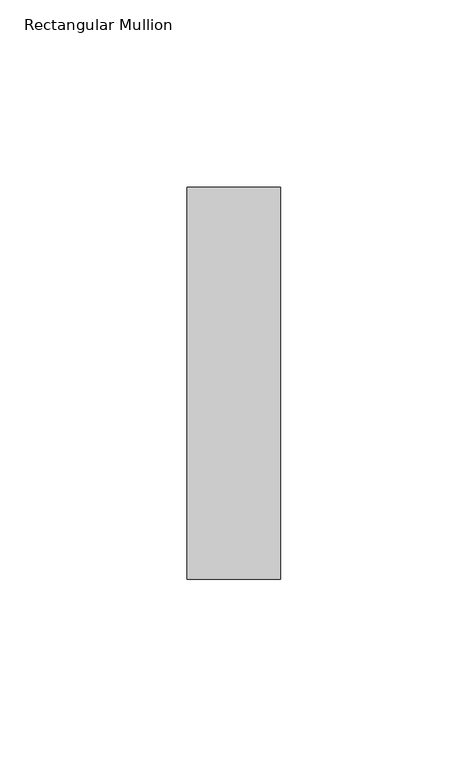
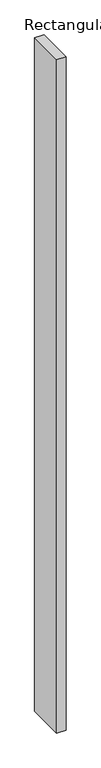
"""IFC4 building model written with IfcOpenShell, lengths in millimetres: member geometry, Rectangular Mullion."""

from ifc_helpers import new_model, si_unit, frame, origin, place, context, project, spatial, polyline, outline, extrude, source, transform, mapped, element, save


def rectangular_mullion_73668e4c(model_context):
    return source(origin(), model_context, "Body", "SweptSolid", [
        extrude(outline(polyline([(0.0, -52.34375), (-25.0, -52.34375), (-25.0, 52.34375), (0.0, 52.34375), (0.0, -52.34375)])), frame((0.0, 0.0, -1950.0), z_axis=(0.0, 0.0, 1.0), x_axis=(1.0, 0.0, 0.0)), (0.0, 0.0, 1.0), 1950.0),
    ])


if __name__ == "__main__":
    model = new_model("IFC4")
    model_context = context("Model", 3, world=origin())
    ifc_project = project(units=[si_unit("LENGTHUNIT", "METRE", prefix="MILLI")], contexts=[model_context])
    site = spatial("IfcSite", under=ifc_project)
    building = spatial("IfcBuilding", under=site)
    placement = place(None, origin())
    rectangular_mullion_shape = rectangular_mullion_73668e4c(model_context)
    element("IfcMember", 1, ObjectType="Rectangular Mullion", at=placement, inside=building, context=model_context, shape_type="MappedRepresentation", body=[
        mapped(rectangular_mullion_shape, transform((0.0, 0.0, 0.0), x_axis=(1.0, 0.0, 0.0), y_axis=(0.0, 1.0, 0.0), z_axis=(0.0, 0.0, 1.0))),
    ])
    save(model, "model.ifc")
